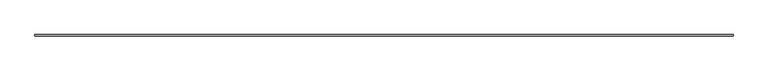
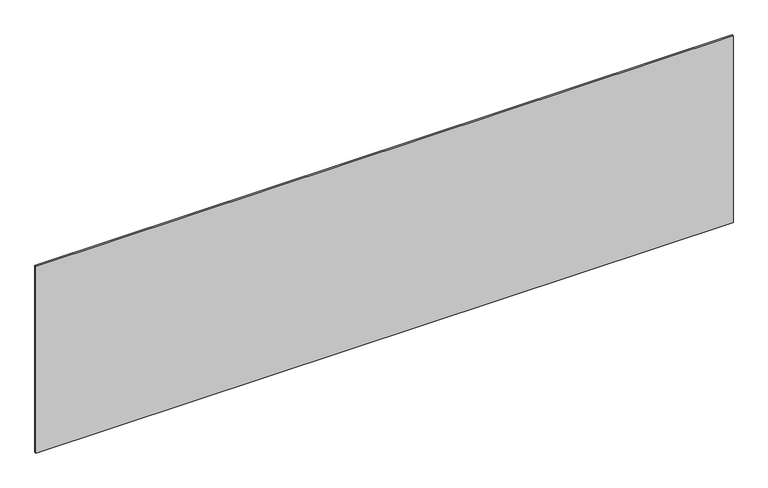
"""IFC4 building model written with IfcOpenShell, lengths in millimetres: plate geometry."""

from ifc_helpers import new_model, si_unit, origin, origin_with_axes, place, context, project, spatial, polyline, outline, extrude, source, transform, mapped, element, save


def plate_0d44b53b(model_context):
    return source(origin(), model_context, "Body", "SweptSolid", [
        extrude(outline(polyline([(2281.6666667, -5.0), (-2281.6666667, -5.0), (-2281.6666667, 5.0), (2281.6666667, 5.0), (2281.6666667, -5.0)])), origin_with_axes(), (0.0, 0.0, 1.0), 1292.4387729),
    ])


if __name__ == "__main__":
    model = new_model("IFC4")
    model_context = context("Model", 3, world=origin())
    ifc_project = project(units=[si_unit("LENGTHUNIT", "METRE", prefix="MILLI")], contexts=[model_context])
    site = spatial("IfcSite", under=ifc_project)
    building = spatial("IfcBuilding", under=site)
    placement = place(None, origin())
    plate_shape = plate_0d44b53b(model_context)
    element("IfcPlate", 1, at=placement, inside=building, context=model_context, shape_type="MappedRepresentation", body=[
        mapped(plate_shape, transform((0.0, 0.0, 0.0), x_axis=(1.0, 0.0, 0.0), y_axis=(0.0, 1.0, 0.0), z_axis=(0.0, 0.0, 1.0))),
    ])
    save(model, "model.ifc")
